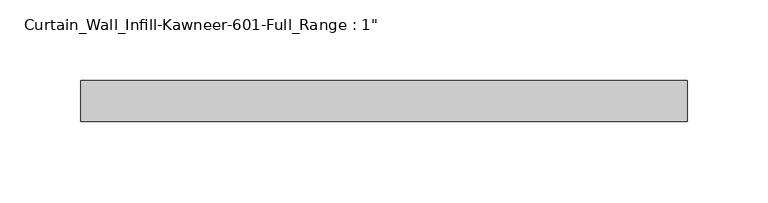
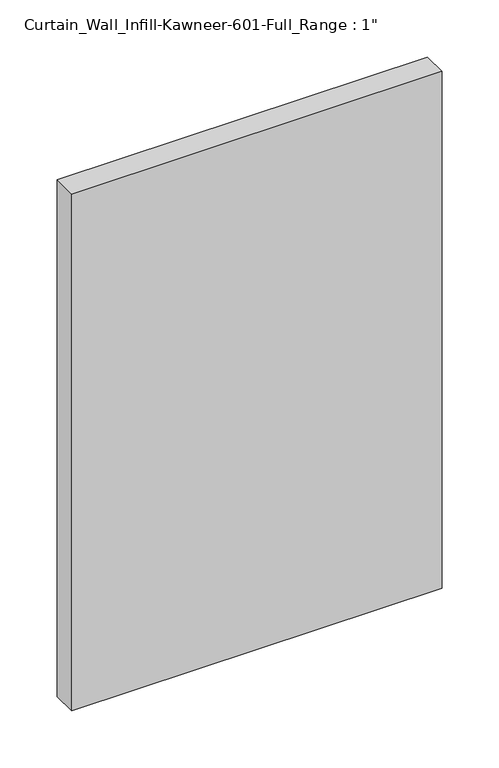
"""IFC4 building model written with IfcOpenShell, lengths in millimetres: plate geometry."""

from ifc_helpers import new_model, si_unit, origin, origin_with_axes, place, context, project, spatial, polyline, outline, extrude, source, transform, mapped, element, save


def plate_b9da9c37(model_context):
    return source(origin(), model_context, "Body", "SweptSolid", [
        extrude(outline(polyline([(-187.325, 12.7), (187.325, 12.7), (187.325, -12.7), (-187.325, -12.7), (-187.325, 12.7)])), origin_with_axes(), (0.0, 0.0, 1.0), 552.45),
    ])


if __name__ == "__main__":
    model = new_model("IFC4")
    model_context = context("Model", 3, world=origin())
    ifc_project = project(units=[si_unit("LENGTHUNIT", "METRE", prefix="MILLI")], contexts=[model_context])
    site = spatial("IfcSite", under=ifc_project)
    building = spatial("IfcBuilding", under=site)
    placement = place(None, origin())
    plate_shape = plate_b9da9c37(model_context)
    element("IfcPlate", 1, ObjectType="Curtain_Wall_Infill-Kawneer-601-Full_Range : 1\"", at=placement, inside=building, context=model_context, shape_type="MappedRepresentation", body=[
        mapped(plate_shape, transform((0.0, 0.0, 0.0), x_axis=(1.0, 0.0, 0.0), y_axis=(0.0, 1.0, 0.0), z_axis=(0.0, 0.0, 1.0))),
    ])
    save(model, "model.ifc")
